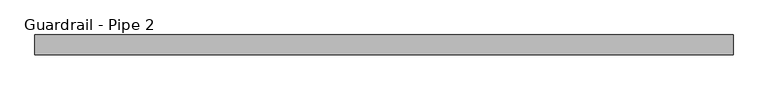
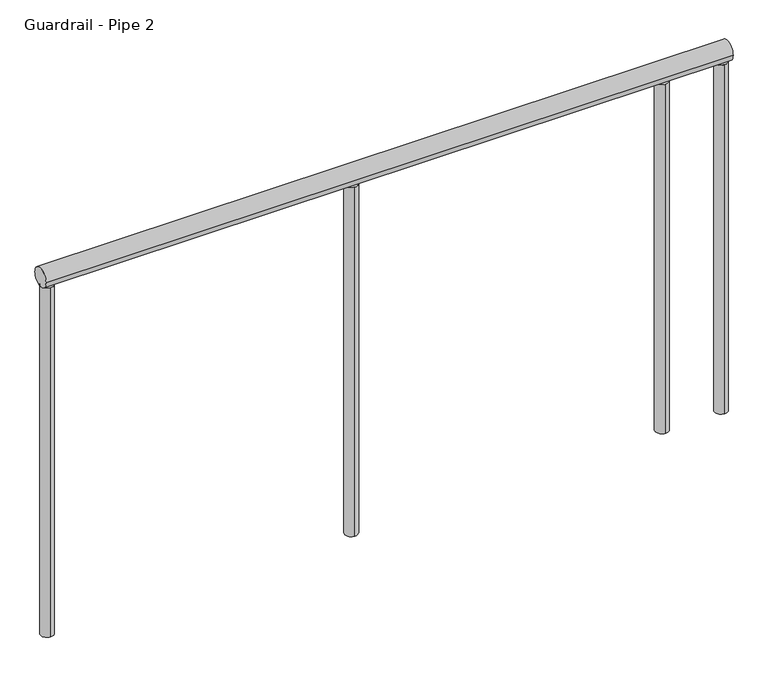
"""IFC4 building model written with IfcOpenShell, lengths in millimetres: railing geometry, Guardrail - Pipe 2."""

from ifc_helpers import new_model, si_unit, point, frame, frame_2d, origin, place, context, project, spatial, circle_curve, trimmed, segment, composite_curve, outline, extrude, source, transform, mapped, element, save


def guardrail_pipe_2_c2c74bd5(model_context):
    return source(origin(), model_context, "Body", "SweptSolid", [
        extrude(outline(composite_curve([segment(trimmed(circle_curve(frame_2d((-254583.5297067, 5518.15)), 19.05), [point((-254564.4797067, 5518.15))], [point((-254602.5797067, 5518.15))], False, "CARTESIAN"), True, "CONTINUOUS"), segment(trimmed(circle_curve(frame_2d((-254583.5297067, 5518.15)), 19.05), [point((-254602.5797067, 5518.15))], [point((-254564.4797067, 5518.15))], False, "CARTESIAN"), True, "CONTINUOUS")], self_intersect=False)), frame((307064.2942669, 0.0, 0.0), z_axis=(1.0, 0.0, 0.0), x_axis=(0.0, 1.0, 0.0)), (0.0, 0.0, 1.0), 1347.9015313),
        extrude(outline(composite_curve([segment(trimmed(circle_curve(frame_2d((308283.4942669, -254583.5297067)), 12.7), [point((308283.4942669, -254570.8297067))], [point((308283.4942669, -254596.2297067))], False, "CARTESIAN"), True, "CONTINUOUS"), segment(trimmed(circle_curve(frame_2d((308283.4942669, -254583.5297067)), 12.7), [point((308283.4942669, -254596.2297067))], [point((308283.4942669, -254570.8297067))], False, "CARTESIAN"), True, "CONTINUOUS")], self_intersect=False)), frame((0.0, 0.0, 4775.2), z_axis=(0.0, 0.0, 1.0), x_axis=(1.0, 0.0, 0.0)), (0.0, 0.0, 1.0), 723.9),
        extrude(outline(composite_curve([segment(trimmed(circle_curve(frame_2d((307673.8942669, -254583.5297067)), 12.7), [point((307673.8942669, -254570.8297067))], [point((307673.8942669, -254596.2297067))], False, "CARTESIAN"), True, "CONTINUOUS"), segment(trimmed(circle_curve(frame_2d((307673.8942669, -254583.5297067)), 12.7), [point((307673.8942669, -254596.2297067))], [point((307673.8942669, -254570.8297067))], False, "CARTESIAN"), True, "CONTINUOUS")], self_intersect=False)), frame((0.0, 0.0, 4775.2), z_axis=(0.0, 0.0, 1.0), x_axis=(1.0, 0.0, 0.0)), (0.0, 0.0, 1.0), 723.9),
        extrude(outline(composite_curve([segment(trimmed(circle_curve(frame_2d((308399.4957983, -254583.5297067)), 12.7), [point((308399.4957983, -254570.8297067))], [point((308399.4957983, -254596.2297067))], False, "CARTESIAN"), True, "CONTINUOUS"), segment(trimmed(circle_curve(frame_2d((308399.4957983, -254583.5297067)), 12.7), [point((308399.4957983, -254596.2297067))], [point((308399.4957983, -254570.8297067))], False, "CARTESIAN"), True, "CONTINUOUS")], self_intersect=False)), frame((0.0, 0.0, 4775.2), z_axis=(0.0, 0.0, 1.0), x_axis=(1.0, 0.0, 0.0)), (0.0, 0.0, 1.0), 723.9),
        extrude(outline(composite_curve([segment(trimmed(circle_curve(frame_2d((307076.9942669, -254583.5297067)), 12.7), [point((307076.9942669, -254570.8297067))], [point((307076.9942669, -254596.2297067))], False, "CARTESIAN"), True, "CONTINUOUS"), segment(trimmed(circle_curve(frame_2d((307076.9942669, -254583.5297067)), 12.7), [point((307076.9942669, -254596.2297067))], [point((307076.9942669, -254570.8297067))], False, "CARTESIAN"), True, "CONTINUOUS")], self_intersect=False)), frame((0.0, 0.0, 4775.2), z_axis=(0.0, 0.0, 1.0), x_axis=(1.0, 0.0, 0.0)), (0.0, 0.0, 1.0), 723.9),
    ])


if __name__ == "__main__":
    model = new_model("IFC4")
    model_context = context("Model", 3, world=origin())
    ifc_project = project(units=[si_unit("LENGTHUNIT", "METRE", prefix="MILLI")], contexts=[model_context])
    site = spatial("IfcSite", under=ifc_project)
    building = spatial("IfcBuilding", under=site)
    placement = place(None, origin())
    guardrail_pipe_2_shape = guardrail_pipe_2_c2c74bd5(model_context)
    element("IfcRailing", 1, ObjectType="Guardrail - Pipe 2", at=placement, inside=building, context=model_context, shape_type="MappedRepresentation", body=[
        mapped(guardrail_pipe_2_shape, transform((0.0, 0.0, 0.0), x_axis=(1.0, 0.0, 0.0), y_axis=(0.0, 1.0, 0.0), z_axis=(0.0, 0.0, 1.0))),
    ])
    save(model, "model.ifc")
